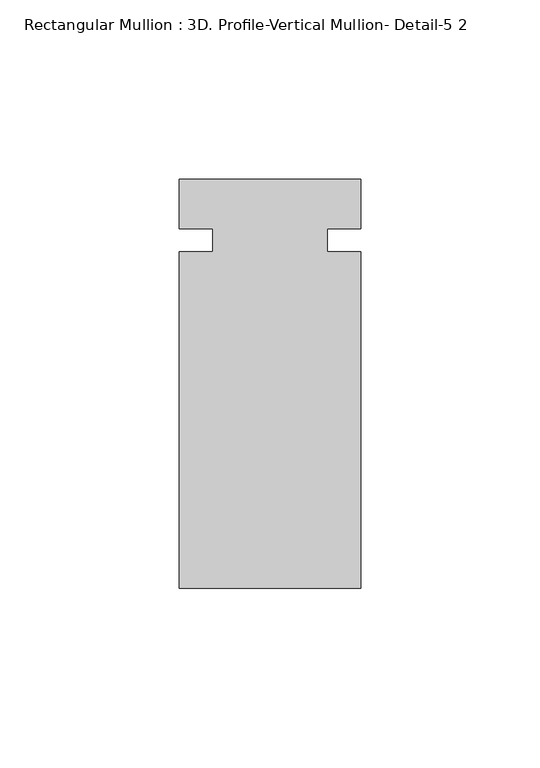
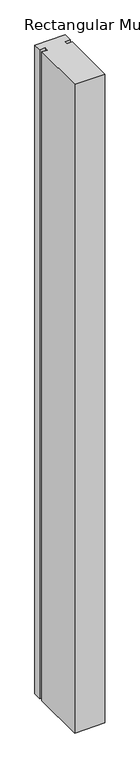
"""IFC4 building model written with IfcOpenShell, lengths in millimetres: member geometry, Rectangular Mullion : 3D. Profile-Vertical Mullion- Detail-5 2."""

from ifc_helpers import new_model, si_unit, frame, origin, place, context, project, spatial, polyline, outline, extrude, source, transform, mapped, element, save


def rectangular_mullion_3d_profile_vertical_mullion_detail_5_2_b73951f7(model_context):
    return source(origin(), model_context, "Body", "SweptSolid", [
        extrude(outline(polyline([(25.4, 57.8548429), (25.4, 43.9435946), (15.97025, 43.9435946), (15.97025, 37.5935946), (25.4, 37.5935946), (25.4, -56.4451571), (-25.4, -56.4451571), (-25.4, 37.5935946), (-15.97025, 37.5935946), (-15.97025, 43.9435946), (-25.4, 43.9435946), (-25.4, 57.8548429), (25.4, 57.8548429)])), frame((0.0, 0.0, -1143.0), z_axis=(0.0, 0.0, 1.0), x_axis=(1.0, 0.0, 0.0)), (0.0, 0.0, 1.0), 1143.0),
    ])


if __name__ == "__main__":
    model = new_model("IFC4")
    model_context = context("Model", 3, world=origin())
    ifc_project = project(units=[si_unit("LENGTHUNIT", "METRE", prefix="MILLI")], contexts=[model_context])
    site = spatial("IfcSite", under=ifc_project)
    building = spatial("IfcBuilding", under=site)
    placement = place(None, origin())
    rectangular_mullion_3d_profile_vertical_mullion_detail_5_2_shape = rectangular_mullion_3d_profile_vertical_mullion_detail_5_2_b73951f7(model_context)
    element("IfcMember", 1, ObjectType="Rectangular Mullion : 3D. Profile-Vertical Mullion- Detail-5 2", at=placement, inside=building, context=model_context, shape_type="MappedRepresentation", body=[
        mapped(rectangular_mullion_3d_profile_vertical_mullion_detail_5_2_shape, transform((0.0, 0.0, 0.0), x_axis=(1.0, 0.0, 0.0), y_axis=(0.0, 1.0, 0.0), z_axis=(0.0, 0.0, 1.0))),
    ])
    save(model, "model.ifc")
